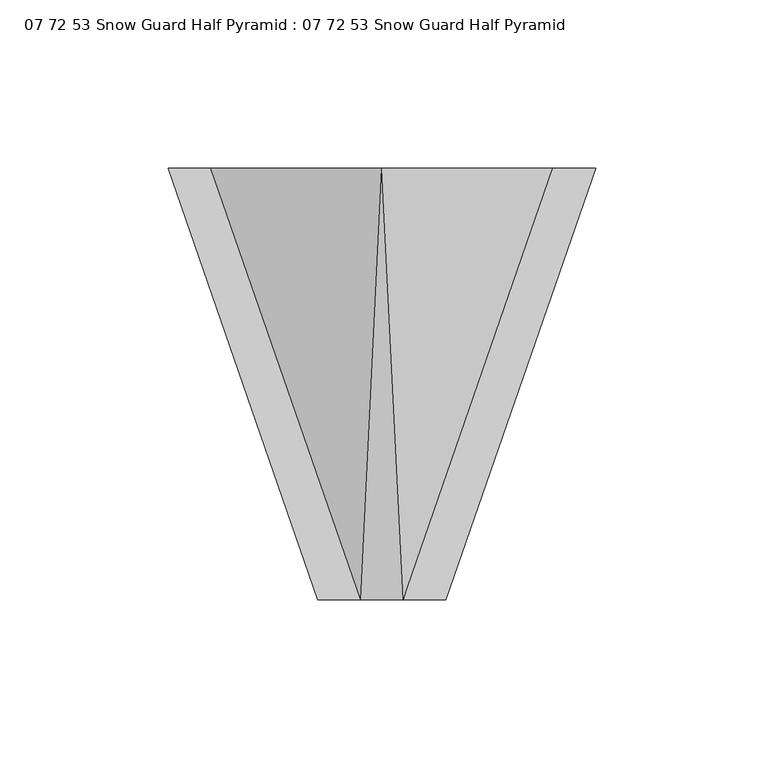
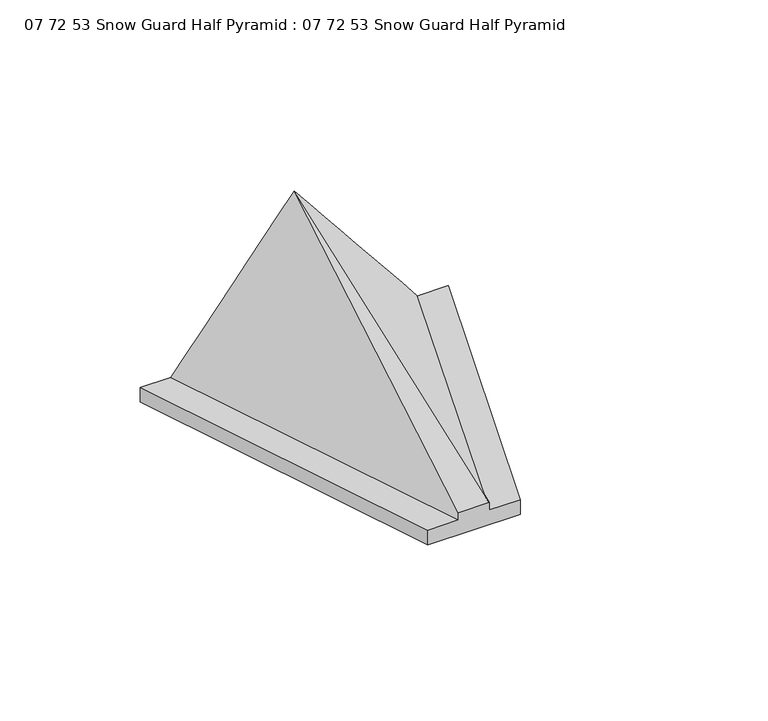
"""IFC4 building model written with IfcOpenShell, lengths in millimetres: proxy geometry, 07 72 53 Snow Guard Half Pyramid : 07 72 53 Snow Guard Half Pyramid."""

from ifc_helpers import new_model, si_unit, frame, origin, place, context, project, spatial, source, transform, mapped, element, save
from ifc_brep_helpers import plane_surface, spline_surface, advanced_brep


def proxy_07_72_53_snow_guard_half_pyramid_07_72_53_snow_guard_85b21a20(model_context):
    return source(origin(), model_context, "Body", "AdvancedBrep", [
        advanced_brep(
        [(-19.05, -128.2397625, 0.0), (19.05, -128.2397625, 0.0), (19.05, -128.2397625, 6.35), (6.35, -128.2397625, 6.35), (6.35, -128.2397625, 9.525), (-6.35, -128.2397625, 9.525), (-6.35, -128.2397625, 6.35), (-19.05, -128.2397625, 6.35), (-63.5, 0.0, 0.0), (-63.5, 0.0, 6.35), (-50.8, 0.0, 6.35), (0.0, 0.0, 69.85), (50.8, 0.0, 6.35), (63.5, 0.0, 6.35), (63.5, 0.0, 0.0)],
        [
            (0, 1),
            (1, 2),
            (2, 3),
            (3, 4),
            (4, 5),
            (5, 6),
            (6, 7),
            (7, 0),
            (8, 9),
            (9, 10),
            (10, 11),
            (11, 12),
            (12, 13),
            (13, 14),
            (14, 8),
            (14, 1),
            (0, 8),
            (13, 2),
            (12, 3),
            (11, 4),
            (11, 5),
            (10, 6),
            (9, 7),
        ],
        [
            plane_surface(frame((0.0, -128.2397625, 5.55625), z_axis=(0.0, -1.0, 0.0), x_axis=(0.0, 0.0, 1.0))),
            plane_surface(frame((0.0, 0.0, 13.6071429), z_axis=(0.0, 1.0, 0.0), x_axis=(0.0, 0.0, 1.0))),
            plane_surface(frame((0.0, 0.0, 0.0), z_axis=(0.0, 0.0, -1.0), x_axis=(1.0, 0.0, 0.0))),
            plane_surface(frame((63.5, 0.0, 3.175), z_axis=(0.9448509068357319, -0.32750078450546527, 0.0), x_axis=(0.0, 0.0, 1.0))),
            plane_surface(frame((57.15, 0.0, 6.35), z_axis=(0.0, 0.0, 1.0), x_axis=(-1.0, 0.0, 0.0))),
            spline_surface(1, 1, [[(50.8, 0.0, 6.35), (6.35, -128.2397625, 6.35)], [(0.0, 0.0, 69.85), (6.35, -128.2397625, 9.525)]], [2, 2], [2, 2], [0.0, 1.0], [0.0, 1.0]),
            plane_surface(frame((0.0, 0.0, 69.85), z_axis=(0.0, -0.42566345031952985, 0.9048815541616888), x_axis=(-1.0, 0.0, 0.0))),
            spline_surface(1, 1, [[(0.0, 0.0, 69.85), (-6.35, -128.2397625, 9.525)], [(-50.8, 0.0, 6.35), (-6.35, -128.2397625, 6.35)]], [2, 2], [2, 2], [0.0, 1.0], [0.0, 1.0]),
            plane_surface(frame((-57.15, 0.0, 6.35), z_axis=(0.0, 0.0, 1.0), x_axis=(-1.0, 0.0, 0.0))),
            plane_surface(frame((-63.5, 0.0, 3.175), z_axis=(-0.944850906835732, -0.32750078450546494, 0.0), x_axis=(0.0, 0.0, -1.0))),
        ],
        [
            (0, [[1, 2, 3, 4, 5, 6, 7, 8]]),
            (1, [[9, 10, 11, 12, 13, 14, 15]]),
            (2, [[-15, 16, -1, 17]]),
            (3, [[-14, 18, -2, -16]]),
            (4, [[-13, 19, -3, -18]]),
            (5, [[-12, 20, -4, -19]]),
            (6, [[-5, -20, 21]]),
            (7, [[-11, 22, -6, -21]]),
            (8, [[-10, 23, -7, -22]]),
            (9, [[-9, -17, -8, -23]]),
        ],
    ),
    ])


if __name__ == "__main__":
    model = new_model("IFC4")
    model_context = context("Model", 3, world=origin())
    ifc_project = project(units=[si_unit("LENGTHUNIT", "METRE", prefix="MILLI")], contexts=[model_context])
    site = spatial("IfcSite", under=ifc_project)
    building = spatial("IfcBuilding", under=site)
    placement = place(None, origin())
    proxy_07_72_53_snow_guard_half_pyramid_07_72_53_snow_guard_shape = proxy_07_72_53_snow_guard_half_pyramid_07_72_53_snow_guard_85b21a20(model_context)
    element("IfcBuildingElementProxy", 1, Name="07 72 53 Snow Guard Half Pyramid : 07 72 53 Snow Guard Half Pyramid", ObjectType="07 72 53 Snow Guard Half Pyramid : 07 72 53 Snow Guard Half Pyramid", at=placement, inside=building, context=model_context, shape_type="MappedRepresentation", body=[
        mapped(proxy_07_72_53_snow_guard_half_pyramid_07_72_53_snow_guard_shape, transform((0.0, 0.0, 0.0), x_axis=(1.0, 0.0, 0.0), y_axis=(0.0, 1.0, 0.0), z_axis=(0.0, 0.0, 1.0))),
    ])
    save(model, "model.ifc")
